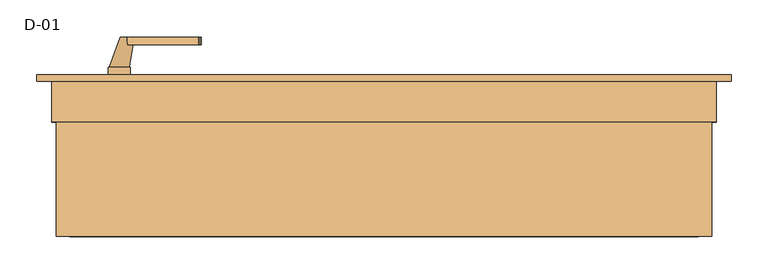
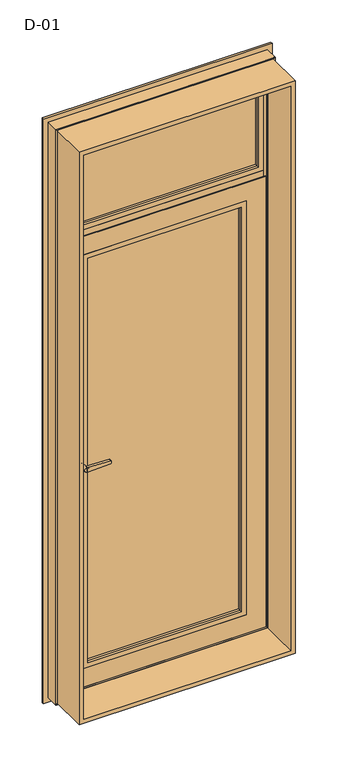
"""IFC4 building model written with IfcOpenShell, lengths in millimetres: door geometry, D-01."""

from ifc_helpers import new_model, si_unit, point, frame, frame_2d, origin, place, context, project, spatial, polyline, circle_curve, ellipse_curve, trimmed, segment, composite_curve, outline, extrude, faceted_brep, source, transform, mapped, element, save
from ifc_brep_helpers import plane_surface, cylinder_surface, revolved_surface, spline_surface, advanced_brep


def d_01_48096708(model_context):
    return source(origin(), model_context, "Body", "SolidModel", [
        extrude(outline(polyline([(329.0, 106.6071511), (329.0, 80.6071511), (-329.0, 80.6071511), (-329.0, 106.6071511), (329.0, 106.6071511)])), frame((0.0, 0.0, 120.9699136), z_axis=(0.0, 0.0, 1.0), x_axis=(1.0, 0.0, 0.0)), (0.0, 0.0, 1.0), 1783.0601727),
        extrude(outline(polyline([(403.0, 113.6071222), (403.0, 87.6071222), (-403.0, 87.6071222), (-403.0, 113.6071222), (403.0, 113.6071222)])), frame((0.0, 0.0, 2022.0), z_axis=(0.0, 0.0, 1.0), x_axis=(1.0, 0.0, 0.0)), (0.0, 0.0, 1.0), 431.0),
        extrude(outline(polyline([(2493.8, 443.8), (2493.8, -443.8), (6.2, -443.8), (6.2, 443.8), (2493.8, 443.8)]), holes=[polyline([(24.7, 425.3), (24.7, -425.3), (2475.3, -425.3), (2475.3, 425.3), (24.7, 425.3)])]), frame((0.0, -100.0, 0.0), z_axis=(0.0, 1.0, 0.0), x_axis=(0.0, 0.0, 1.0)), (0.0, 0.0, 1.0), 165.9999813),
        advanced_brep(
        [(316.0300864, 73.2770489, 1891.0295117), (313.8875898, 80.6071511, 1888.8870152), (313.8875898, 80.6071511, 136.1129848), (316.0300864, 73.2770489, 133.9704883), (336.0300864, 80.6071511, 113.9704883), (-336.0300864, 80.6071511, 113.9704883), (-336.0300864, 80.6071511, 1911.0295117), (336.0300864, 80.6071511, 1911.0295117), (-313.8875898, 80.6071511, 1888.8870152), (-313.8875898, 80.6071511, 136.1129848), (-316.0300864, 73.2770489, 133.9704883), (316.0300864, 61.9999587, 1891.0295117), (316.0300864, 61.9999587, 133.9704883), (-316.0300864, 61.9999587, 133.9704883), (336.0300864, 61.9999587, 1911.0295117), (-336.0300864, 61.9999587, 1911.0295117), (-336.0300864, 61.9999587, 113.9704883), (336.0300864, 61.9999587, 113.9704883), (-316.0300864, 61.9999587, 1891.0295117), (-316.0300864, 73.2770489, 1891.0295117)],
        [
            (0, 1, ellipse_curve(frame((296.4226746, 71.5242129, 1871.4221), z_axis=(-0.7071067811865475, 0.0, 0.7071067811865475), x_axis=(-0.7071067811865474, 0.0, -0.7071067811865476)), 27.839649, 19.6856046)),
            (1, 2),
            (2, 3, ellipse_curve(frame((296.4226746, 71.5242129, 153.5779), z_axis=(-0.7071067811865475, 0.0, -0.7071067811865475), x_axis=(0.7071067811865474, 0.0, -0.7071067811865476)), 27.839649, 19.6856046)),
            (3, 0),
            (4, 5),
            (5, 6),
            (6, 7),
            (7, 4),
            (1, 8),
            (8, 9),
            (9, 2),
            (9, 10, ellipse_curve(frame((-296.4226746, 71.5242129, 153.5779), z_axis=(-0.7071067811865475, 0.0, 0.7071067811865475), x_axis=(-0.7071067811865476, 0.0, -0.7071067811865474)), 27.839649, 19.6856046)),
            (10, 3),
            (11, 0),
            (3, 12),
            (12, 11),
            (10, 13),
            (13, 12),
            (14, 15),
            (15, 16),
            (16, 17),
            (17, 14),
            (13, 18),
            (18, 11),
            (7, 14),
            (17, 4),
            (16, 5),
            (8, 19, ellipse_curve(frame((-296.4226746, 71.5242129, 1871.4221), z_axis=(0.7071067811865475, 0.0, 0.7071067811865475), x_axis=(-0.7071067811865474, 0.0, 0.7071067811865476)), 27.839649, 19.6856046)),
            (19, 10),
            (19, 18),
            (15, 6),
            (0, 19),
        ],
        [
            revolved_surface(polyline([(316.10827919999997, 71.5242129, 133.8922954062466), (316.10827919999997, 71.5242129, 1891.1077045937534)]), (296.4226746, 71.5242129, 1911.0295117), (0.0, 0.0, -1.0)),
            plane_surface(frame((-336.0300864, 80.6071511, 1911.0295117), z_axis=(0.0, 1.0, 0.0), x_axis=(1.0, 0.0, 0.0))),
            revolved_surface(polyline([(-316.1082791937533, 71.5242129, 133.8922954), (316.1082791937533, 71.5242129, 133.8922954)]), (336.0300864, 71.5242129, 153.5779), (-1.0, 0.0, 0.0)),
            plane_surface(frame((316.0300864, 73.2770489, 1891.0295117), z_axis=(-1.0, 0.0, 0.0), x_axis=(0.0, 0.0, -1.0))),
            plane_surface(frame((316.0300864, 73.2770489, 133.9704883), z_axis=(0.0, 0.0, 1.0), x_axis=(-1.0, 0.0, 0.0))),
            plane_surface(frame((-316.0300864, 61.9999587, 1891.0295117), z_axis=(0.0, -1.0, 0.0), x_axis=(1.0, 0.0, 0.0))),
            plane_surface(frame((336.0300864, 61.9999587, 1911.0295117), z_axis=(1.0, 0.0, 0.0), x_axis=(0.0, 0.0, -1.0))),
            plane_surface(frame((336.0300864, 61.9999587, 113.9704883), z_axis=(0.0, 0.0, -1.0), x_axis=(-1.0, 0.0, 0.0))),
            revolved_surface(polyline([(-316.10827919999997, 71.5242129, 1891.1077045937534), (-316.10827919999997, 71.5242129, 133.89229540624672)]), (-296.4226746, 71.5242129, 113.9704883), (0.0, 0.0, 1.0)),
            plane_surface(frame((-316.0300864, 73.2770489, 133.9704883), z_axis=(1.0, 0.0, 0.0), x_axis=(0.0, 0.0, 1.0))),
            plane_surface(frame((-336.0300864, 61.9999587, 113.9704883), z_axis=(-1.0, 0.0, 0.0), x_axis=(0.0, 0.0, 1.0))),
            revolved_surface(polyline([(316.1082791937533, 71.5242129, 1891.1077046), (-316.1082791937533, 71.5242129, 1891.1077046)]), (-336.0300864, 71.5242129, 1871.4221), (1.0, 0.0, 0.0)),
            plane_surface(frame((-316.0300864, 73.2770489, 1891.0295117), z_axis=(0.0, 0.0, -1.0), x_axis=(1.0, 0.0, 0.0))),
            plane_surface(frame((-336.0300864, 61.9999587, 1911.0295117), z_axis=(0.0, 0.0, 1.0), x_axis=(1.0, 0.0, 0.0))),
        ],
        [
            (0, [[1, 2, 3, 4]]),
            (1, [[5, 6, 7, 8], [9, 10, 11, -2]]),
            (2, [[-3, -11, 12, 13]]),
            (3, [[14, -4, 15, 16]]),
            (4, [[-15, -13, 17, 18]]),
            (5, [[19, 20, 21, 22], [-18, 23, 24, -16]]),
            (6, [[25, -22, 26, -8]]),
            (7, [[-26, -21, 27, -5]]),
            (8, [[-12, -10, 28, 29]]),
            (9, [[-17, -29, 30, -23]]),
            (10, [[-27, -20, 31, -6]]),
            (11, [[-28, -9, -1, 32]]),
            (12, [[-30, -32, -14, -24]]),
            (13, [[-31, -19, -25, -7]]),
        ],
    ),
        extrude(outline(composite_curve([segment(polyline([(908.2, -353.529519), (920.8261365, -353.529519)]), True, "CONTINUOUS"), segment(trimmed(circle_curve(frame_2d((927.7, -358.529519)), 8.5), [point((920.8261365, -353.529519))], [point((920.8261365, -363.529519))], False, "CARTESIAN"), True, "CONTINUOUS"), segment(polyline([(920.8261365, -363.529519), (908.2, -363.529519)]), True, "CONTINUOUS"), segment(trimmed(circle_curve(frame_2d((908.2, -358.529519)), 5.0), [point((908.2, -363.529519))], [point((908.2, -353.529519))], False, "CARTESIAN"), True, "CONTINUOUS")], self_intersect=False)), frame((0.0, 118.9999667, 0.0), z_axis=(0.0, 1.0, 0.0), x_axis=(0.0, 0.0, 1.0)), (0.0, 0.0, 1.0), 11.0),
        extrude(outline(composite_curve([segment(trimmed(circle_curve(frame_2d((968.6155661, -358.529519)), 97.2636214), [point((872.5, -373.429519))], [point((872.5, -343.629519))], False, "CARTESIAN"), True, "CONTINUOUS"), segment(polyline([(872.5, -343.629519), (1091.0, -343.629519)]), True, "CONTINUOUS"), segment(trimmed(circle_curve(frame_2d((994.8844339, -358.529519)), 97.2636214), [point((1091.0, -343.629519))], [point((1091.0, -373.429519))], False, "CARTESIAN"), True, "CONTINUOUS"), segment(polyline([(1091.0, -373.429519), (872.5, -373.429519)]), True, "CONTINUOUS")], self_intersect=False), holes=[composite_curve([segment(polyline([(908.2, -363.529519), (920.8261365, -363.529519)]), True, "CONTINUOUS"), segment(trimmed(circle_curve(frame_2d((927.7, -358.529519)), 8.5), [point((920.8261365, -363.529519))], [point((920.8261365, -353.529519))], True, "CARTESIAN"), True, "CONTINUOUS"), segment(polyline([(920.8261365, -353.529519), (908.2, -353.529519)]), True, "CONTINUOUS"), segment(trimmed(circle_curve(frame_2d((908.2, -358.529519)), 5.0), [point((908.2, -353.529519))], [point((908.2, -363.529519))], True, "CARTESIAN"), True, "CONTINUOUS")], self_intersect=False)]), frame((0.0, 118.9999667, 0.0), z_axis=(0.0, 1.0, 0.0), x_axis=(0.0, 0.0, 1.0)), (0.0, 0.0, 1.0), 10.0),
        extrude(outline(composite_curve([segment(polyline([(1022.0, -347.529519), (1003.0, -347.529519), (1005.5308731, -250.8793747)]), True, "CONTINUOUS"), segment(trimmed(circle_curve(frame_2d((1007.5301877, -250.9317286)), 2.0), [point((1005.5308731, -250.8793747))], [point((1007.0125497, -248.9998769))], False, "CARTESIAN"), True, "CONTINUOUS"), segment(polyline([(1007.0125497, -248.9998769), (1012.5, -247.529519), (1017.9874503, -248.9998769)]), True, "CONTINUOUS"), segment(trimmed(circle_curve(frame_2d((1017.4698123, -250.9317286)), 2.0), [point((1017.9874503, -248.9998769))], [point((1019.4691269, -250.8793747))], False, "CARTESIAN"), True, "CONTINUOUS"), segment(polyline([(1019.4691269, -250.8793747), (1022.0, -347.529519)]), True, "CONTINUOUS")], self_intersect=False)), frame((0.0, 159.9999667, 0.0), z_axis=(0.0, 1.0, 0.0), x_axis=(0.0, 0.0, 1.0)), (0.0, 0.0, 1.0), 10.0),
        advanced_brep(
        [(-357.029519, 169.9999667, 1012.5), (-338.029519, 169.9999667, 1012.5), (-371.929519, 128.9999667, 1012.5), (-345.129519, 128.9999667, 1012.5)],
        [
            (0, 1, circle_curve(frame((-347.529519, 169.9999667, 1012.5), z_axis=(0.0, 1.0, 0.0), x_axis=(1.0, 0.0, 0.0)), 9.5)),
            (1, 0, circle_curve(frame((-347.529519, 169.9999667, 1012.5), z_axis=(0.0, 1.0, 0.0), x_axis=(1.0, 0.0, 0.0)), 9.5)),
            (2, 3, circle_curve(frame((-358.529519, 128.9999667, 1012.5), z_axis=(0.0, -1.0, 0.0), x_axis=(1.0, 0.0, 0.0)), 13.4)),
            (3, 2, circle_curve(frame((-358.529519, 128.9999667, 1012.5), z_axis=(0.0, -1.0, 0.0), x_axis=(1.0, 0.0, 0.0)), 13.4)),
            (2, 0),
            (1, 3),
        ],
        [
            plane_surface(frame((-347.529519, 169.9999667, 1012.5), z_axis=(0.0, 1.0, 0.0), x_axis=(0.0, 0.0, -1.0))),
            plane_surface(frame((-358.529519, 128.9999667, 1012.5), z_axis=(0.0, -1.0, 0.0), x_axis=(0.0, 0.0, -1.0))),
            spline_surface(1, 2, [[(-371.929519, 128.9999667, 1012.5), (-371.929519, 128.9999667, 999.0999999999999), (-358.529519, 128.9999667, 999.0999999999999), (-345.12951899999996, 128.9999667, 999.0999999999999), (-345.129519, 128.9999667, 1012.5)], [(-357.029519, 169.9999667, 1012.5), (-357.029519, 169.9999667, 1003.0), (-347.529519, 169.9999667, 1003.0), (-338.029519, 169.9999667, 1003.0), (-338.029519, 169.9999667, 1012.5)]], [2, 2], [3, 2, 3], [0.0, 1.0], [0.0, 1.0, 2.0], weights=[[1.0, 0.7071067811865476, 1.0, 0.707106781186546, 1.0], [1.0, 0.7071067811865476, 1.0, 0.707106781186546, 1.0]]),
            spline_surface(1, 2, [[(-345.129519, 128.9999667, 1012.5), (-345.129519, 128.9999667, 1025.9), (-358.529519, 128.9999667, 1025.9), (-371.92951899999997, 128.9999667, 1025.8999999999999), (-371.929519, 128.9999667, 1012.5)], [(-338.029519, 169.9999667, 1012.5), (-338.029519, 169.9999667, 1022.0), (-347.529519, 169.9999667, 1022.0), (-357.029519, 169.9999667, 1022.0), (-357.029519, 169.9999667, 1012.5)]], [2, 2], [3, 2, 3], [0.0, 1.0], [0.0, 1.0, 2.0], weights=[[1.0, 0.7071067811865476, 1.0, 0.707106781186549, 1.0], [1.0, 0.7071067811865476, 1.0, 0.707106781186549, 1.0]]),
        ],
        [
            (0, [[1, 2]]),
            (1, [[3, 4]]),
            (2, [[5, -2, 6, -3]]),
            (3, [[-6, -1, -5, -4]]),
        ],
    ),
        extrude(outline(composite_curve([segment(polyline([(908.2, -353.529519), (920.8261365, -353.529519)]), True, "CONTINUOUS"), segment(trimmed(circle_curve(frame_2d((927.7, -358.529519)), 8.5), [point((920.8261365, -353.529519))], [point((920.8261365, -363.529519))], False, "CARTESIAN"), True, "CONTINUOUS"), segment(polyline([(920.8261365, -363.529519), (908.2, -363.529519)]), True, "CONTINUOUS"), segment(trimmed(circle_curve(frame_2d((908.2, -358.529519)), 5.0), [point((908.2, -363.529519))], [point((908.2, -353.529519))], False, "CARTESIAN"), True, "CONTINUOUS")], self_intersect=False)), frame((0.0, 50.9999588, 0.0), z_axis=(0.0, 1.0, 0.0), x_axis=(0.0, 0.0, 1.0)), (0.0, 0.0, 1.0), 11.0),
        extrude(outline(composite_curve([segment(trimmed(circle_curve(frame_2d((968.6155661, -358.529519)), 97.2636214), [point((872.5, -373.429519))], [point((872.5, -343.629519))], False, "CARTESIAN"), True, "CONTINUOUS"), segment(polyline([(872.5, -343.629519), (1091.0, -343.629519)]), True, "CONTINUOUS"), segment(trimmed(circle_curve(frame_2d((994.8844339, -358.529519)), 97.2636214), [point((1091.0, -343.629519))], [point((1091.0, -373.429519))], False, "CARTESIAN"), True, "CONTINUOUS"), segment(polyline([(1091.0, -373.429519), (872.5, -373.429519)]), True, "CONTINUOUS")], self_intersect=False), holes=[composite_curve([segment(polyline([(908.2, -363.529519), (920.8261365, -363.529519)]), True, "CONTINUOUS"), segment(trimmed(circle_curve(frame_2d((927.7, -358.529519)), 8.5), [point((920.8261365, -363.529519))], [point((920.8261365, -353.529519))], True, "CARTESIAN"), True, "CONTINUOUS"), segment(polyline([(920.8261365, -353.529519), (908.2, -353.529519)]), True, "CONTINUOUS"), segment(trimmed(circle_curve(frame_2d((908.2, -358.529519)), 5.0), [point((908.2, -353.529519))], [point((908.2, -363.529519))], True, "CARTESIAN"), True, "CONTINUOUS")], self_intersect=False)]), frame((0.0, 51.9999588, 0.0), z_axis=(0.0, 1.0, 0.0), x_axis=(0.0, 0.0, 1.0)), (0.0, 0.0, 1.0), 10.0),
        extrude(outline(composite_curve([segment(polyline([(1022.0, -347.529519), (1003.0, -347.529519), (1005.5308731, -250.8793747)]), True, "CONTINUOUS"), segment(trimmed(circle_curve(frame_2d((1007.5301877, -250.9317286)), 2.0), [point((1005.5308731, -250.8793747))], [point((1007.0125497, -248.9998769))], False, "CARTESIAN"), True, "CONTINUOUS"), segment(polyline([(1007.0125497, -248.9998769), (1012.5, -247.529519), (1017.9874503, -248.9998769)]), True, "CONTINUOUS"), segment(trimmed(circle_curve(frame_2d((1017.4698123, -250.9317286)), 2.0), [point((1017.9874503, -248.9998769))], [point((1019.4691269, -250.8793747))], False, "CARTESIAN"), True, "CONTINUOUS"), segment(polyline([(1019.4691269, -250.8793747), (1022.0, -347.529519)]), True, "CONTINUOUS")], self_intersect=False)), frame((0.0, 10.9999588, 0.0), z_axis=(0.0, 1.0, 0.0), x_axis=(0.0, 0.0, 1.0)), (0.0, 0.0, 1.0), 10.0),
        advanced_brep(
        [(-357.029519, 10.9999588, 1012.5), (-338.029519, 10.9999588, 1012.5), (-371.929519, 51.9999588, 1012.5), (-345.129519, 51.9999588, 1012.5)],
        [
            (0, 1, circle_curve(frame((-347.529519, 10.9999588, 1012.5), z_axis=(0.0, -1.0, 0.0), x_axis=(1.0, 0.0, 0.0)), 9.5)),
            (1, 0, circle_curve(frame((-347.529519, 10.9999588, 1012.5), z_axis=(0.0, -1.0, 0.0), x_axis=(1.0, 0.0, 0.0)), 9.5)),
            (2, 3, circle_curve(frame((-358.529519, 51.9999588, 1012.5), z_axis=(0.0, 1.0, 0.0), x_axis=(1.0, 0.0, 0.0)), 13.4)),
            (3, 2, circle_curve(frame((-358.529519, 51.9999588, 1012.5), z_axis=(0.0, 1.0, 0.0), x_axis=(1.0, 0.0, 0.0)), 13.4)),
            (3, 1),
            (0, 2),
        ],
        [
            plane_surface(frame((-347.529519, 10.9999588, 1012.5), z_axis=(0.0, -1.0, 0.0), x_axis=(0.0, 0.0, -1.0))),
            plane_surface(frame((-358.529519, 51.9999588, 1012.5), z_axis=(0.0, 1.0, 0.0), x_axis=(0.0, 0.0, -1.0))),
            spline_surface(2, 1, [[(-371.929519, 51.9999588, 1012.5), (-357.029519, 10.9999588, 1012.5)], [(-371.929519, 51.9999588, 999.0999999999999), (-357.029519, 10.9999588, 1003.0)], [(-358.529519, 51.9999588, 999.0999999999999), (-347.529519, 10.9999588, 1003.0)], [(-345.12951899999996, 51.9999588, 999.0999999999999), (-338.029519, 10.9999588, 1003.0)], [(-345.129519, 51.9999588, 1012.5), (-338.029519, 10.9999588, 1012.5)]], [3, 2, 3], [2, 2], [0.0, 1.0, 2.0], [0.0, 1.0], weights=[[1.0, 1.0], [0.7071067811865476, 0.7071067811865476], [1.0, 1.0], [0.707106781186546, 0.707106781186546], [1.0, 1.0]]),
            spline_surface(2, 1, [[(-345.129519, 51.9999588, 1012.5), (-338.029519, 10.9999588, 1012.5)], [(-345.129519, 51.9999588, 1025.9), (-338.029519, 10.9999588, 1022.0)], [(-358.529519, 51.9999588, 1025.9), (-347.529519, 10.9999588, 1022.0)], [(-371.92951899999997, 51.9999588, 1025.8999999999999), (-357.029519, 10.9999588, 1022.0)], [(-371.929519, 51.9999588, 1012.5), (-357.029519, 10.9999588, 1012.5)]], [3, 2, 3], [2, 2], [0.0, 1.0, 2.0], [0.0, 1.0], weights=[[1.0, 1.0], [0.7071067811865476, 0.7071067811865476], [1.0, 1.0], [0.707106781186549, 0.707106781186549], [1.0, 1.0]]),
        ],
        [
            (0, [[1, 2]]),
            (1, [[3, 4]]),
            (2, [[-4, 5, -1, 6]]),
            (3, [[-3, -6, -2, -5]]),
        ],
    ),
        faceted_brep([(416.029509, 65.5999789, 1991.029509), (416.029509, 61.9999588, 1991.029509), (416.029509, 61.9999588, 33.970491), (416.029509, 65.5999789, 33.970491), (-416.029509, 61.9999588, 1991.029509), (-416.029509, 61.9999588, 33.970491), (336.0295117, 61.9999588, 1911.0295117), (336.0295117, 61.9999588, 113.9704883), (-336.0295117, 61.9999588, 113.9704883), (-336.0295117, 61.9999588, 1911.0295117), (-416.029509, 65.5999789, 33.970491), (-416.029509, 65.5999789, 1991.029509), (-398.529519, 65.5999789, 1973.529519), (-398.529519, 65.5999789, 51.470481), (398.529519, 65.5999789, 51.470481), (398.529519, 65.5999789, 1973.529519), (398.529519, 112.0011292, 1973.529519), (398.529519, 112.0011292, 51.470481), (-398.529519, 112.0011292, 51.470481), (-398.529519, 112.0011292, 1973.529519), (-383.0352158, 112.0011292, 1958.0352158), (-383.0352158, 112.0011292, 66.9647842), (383.0352158, 112.0011292, 66.9647842), (383.0352158, 112.0011292, 1958.0352158), (383.0352158, 118.9999667, 1958.0352158), (383.0352158, 118.9999667, 66.9647842), (-383.0352158, 118.9999667, 66.9647842), (-383.0352158, 118.9999667, 1958.0352158), (-316.0300864, 118.9999667, 1891.0300864), (-316.0300864, 118.9999667, 133.9699136), (316.0300864, 118.9999667, 133.9699136), (316.0300864, 118.9999667, 1891.0300864), (316.0300864, 108.4011305, 1891.0300864), (316.0300864, 108.4011305, 133.9699136), (-316.0300864, 108.4011305, 133.9699136), (-336.0295117, 108.4011305, 1911.0295117), (-336.0295117, 108.4011305, 113.9704883), (336.0295117, 108.4011305, 113.9704883), (336.0295117, 108.4011305, 1911.0295117), (-316.0300864, 108.4011305, 1891.0300864)], [[[0, 1, 2, 3]], [[4, 5, 2, 1], [6, 7, 8, 9]], [[3, 2, 5, 10]], [[0, 3, 10, 11], [12, 13, 14, 15]], [[16, 15, 14, 17]], [[17, 14, 13, 18]], [[16, 17, 18, 19], [20, 21, 22, 23]], [[24, 23, 22, 25]], [[25, 22, 21, 26]], [[24, 25, 26, 27], [28, 29, 30, 31]], [[32, 31, 30, 33]], [[33, 30, 29, 34]], [[35, 36, 37, 38], [32, 33, 34, 39]], [[6, 38, 37, 7]], [[7, 37, 36, 8]], [[10, 5, 4, 11]], [[18, 13, 12, 19]], [[26, 21, 20, 27]], [[34, 29, 28, 39]], [[8, 36, 35, 9]], [[11, 4, 1, 0]], [[19, 12, 15, 16]], [[27, 20, 23, 24]], [[39, 28, 31, 32]], [[9, 35, 38, 6]]]),
        advanced_brep(
        [(390.0, 80.27702, 2440.0), (387.8575034, 87.6071222, 2437.8575034), (387.8575034, 87.6071222, 2037.1424966), (390.0, 80.27702, 2035.0), (410.0, 87.6071222, 2015.0), (-410.0, 87.6071222, 2015.0), (-410.0, 87.6071222, 2460.0), (410.0, 87.6071222, 2460.0), (-387.8575034, 87.6071222, 2437.8575034), (-387.8575034, 87.6071222, 2037.1424966), (-390.0, 80.27702, 2035.0), (390.0, 68.9999298, 2440.0), (390.0, 68.9999298, 2035.0), (-390.0, 68.9999298, 2035.0), (410.0, 68.9999298, 2460.0), (-410.0, 68.9999298, 2460.0), (-410.0, 68.9999298, 2015.0), (410.0, 68.9999298, 2015.0), (-390.0, 68.9999298, 2440.0), (-390.0, 80.27702, 2440.0)],
        [
            (0, 1, ellipse_curve(frame((370.3925883, 78.5241839, 2420.3925883), z_axis=(-0.7071067811865475, 0.0, 0.7071067811865475), x_axis=(-0.7071067811865474, 0.0, -0.7071067811865476)), 27.839649, 19.6856046)),
            (1, 2),
            (2, 3, ellipse_curve(frame((370.3925883, 78.5241839, 2054.6074117), z_axis=(-0.7071067811865475, 0.0, -0.7071067811865475), x_axis=(0.7071067811865474, 0.0, -0.7071067811865476)), 27.839649, 19.6856046)),
            (3, 0),
            (4, 5),
            (5, 6),
            (6, 7),
            (7, 4),
            (1, 8),
            (8, 9),
            (9, 2),
            (9, 10, ellipse_curve(frame((-370.3925883, 78.5241839, 2054.6074117), z_axis=(-0.7071067811865475, 0.0, 0.7071067811865475), x_axis=(-0.7071067811865476, 0.0, -0.7071067811865474)), 27.839649, 19.6856046)),
            (10, 3),
            (11, 0),
            (3, 12),
            (12, 11),
            (10, 13),
            (13, 12),
            (14, 15),
            (15, 16),
            (16, 17),
            (17, 14),
            (13, 18),
            (18, 11),
            (7, 14),
            (17, 4),
            (16, 5),
            (8, 19, ellipse_curve(frame((-370.3925883, 78.5241839, 2420.3925883), z_axis=(0.7071067811865475, 0.0, 0.7071067811865475), x_axis=(-0.7071067811865474, 0.0, 0.7071067811865476)), 27.839649, 19.6856046)),
            (19, 10),
            (19, 18),
            (15, 6),
            (0, 19),
        ],
        [
            revolved_surface(polyline([(390.0781929, 78.5241839, 2034.9218071062464), (390.0781929, 78.5241839, 2440.0781928937536)]), (370.3925883, 78.5241839, 2460.0), (0.0, 0.0, -1.0)),
            plane_surface(frame((-410.0, 87.6071222, 2460.0), z_axis=(0.0, 1.0, 0.0), x_axis=(1.0, 0.0, 0.0))),
            revolved_surface(polyline([(-390.0781928937532, 78.5241839, 2034.9218070999998), (390.0781928937533, 78.5241839, 2034.9218070999998)]), (410.0, 78.5241839, 2054.6074117), (-1.0, 0.0, 0.0)),
            plane_surface(frame((390.0, 80.27702, 2440.0), z_axis=(-1.0, 0.0, 0.0), x_axis=(0.0, 0.0, -1.0))),
            plane_surface(frame((390.0, 80.27702, 2035.0), z_axis=(0.0, 0.0, 1.0), x_axis=(-1.0, 0.0, 0.0))),
            plane_surface(frame((-390.0, 68.9999298, 2440.0), z_axis=(0.0, -1.0, 0.0), x_axis=(1.0, 0.0, 0.0))),
            plane_surface(frame((410.0, 68.9999298, 2460.0), z_axis=(1.0, 0.0, 0.0), x_axis=(0.0, 0.0, -1.0))),
            plane_surface(frame((410.0, 68.9999298, 2015.0), z_axis=(0.0, 0.0, -1.0), x_axis=(-1.0, 0.0, 0.0))),
            revolved_surface(polyline([(-390.0781929, 78.5241839, 2440.0781928937536), (-390.0781929, 78.5241839, 2034.9218071062464)]), (-370.3925883, 78.5241839, 2015.0), (0.0, 0.0, 1.0)),
            plane_surface(frame((-390.0, 80.27702, 2035.0), z_axis=(1.0, 0.0, 0.0), x_axis=(0.0, 0.0, 1.0))),
            plane_surface(frame((-410.0, 68.9999298, 2015.0), z_axis=(-1.0, 0.0, 0.0), x_axis=(0.0, 0.0, 1.0))),
            revolved_surface(polyline([(390.0781928937532, 78.5241839, 2440.0781929), (-390.0781928937533, 78.5241839, 2440.0781929)]), (-410.0, 78.5241839, 2420.3925883), (1.0, 0.0, 0.0)),
            plane_surface(frame((-390.0, 80.27702, 2440.0), z_axis=(0.0, 0.0, -1.0), x_axis=(1.0, 0.0, 0.0))),
            plane_surface(frame((-410.0, 68.9999298, 2460.0), z_axis=(0.0, 0.0, 1.0), x_axis=(1.0, 0.0, 0.0))),
        ],
        [
            (0, [[1, 2, 3, 4]]),
            (1, [[5, 6, 7, 8], [9, 10, 11, -2]]),
            (2, [[-3, -11, 12, 13]]),
            (3, [[14, -4, 15, 16]]),
            (4, [[-15, -13, 17, 18]]),
            (5, [[19, 20, 21, 22], [-18, 23, 24, -16]]),
            (6, [[25, -22, 26, -8]]),
            (7, [[-26, -21, 27, -5]]),
            (8, [[-12, -10, 28, 29]]),
            (9, [[-17, -29, 30, -23]]),
            (10, [[-27, -20, 31, -6]]),
            (11, [[-28, -9, -1, 32]]),
            (12, [[-30, -32, -14, -24]]),
            (13, [[-31, -19, -25, -7]]),
        ],
    ),
        extrude(outline(polyline([(118.9999375, 1964.9999652), (115.3999375, 1964.9999652), (115.3999375, 1984.9999813), (68.9990172, 1984.9999813), (68.9990172, 2015.0000187), (115.3999375, 2015.0000187), (115.3999375, 2035.0000026), (118.9999375, 2035.0000026), (118.9999375, 1964.9999652)])), frame((-410.0, 0.0, 0.0), z_axis=(1.0, 0.0, 0.0), x_axis=(0.0, 1.0, 0.0)), (0.0, 0.0, 1.0), 820.0),
        advanced_brep(
        [(470.000038, 110.0, 2520.000038), (470.000038, 110.0, -20.000038), (470.000038, 118.9999375, -20.000038), (470.000038, 118.9999375, 2520.000038), (-470.000038, 118.9999375, 2520.000038), (-470.000038, 118.9999375, -20.000038), (390.0004584, 118.9999375, 2440.0004584), (-390.0004584, 118.9999375, 2440.0004584), (-390.0004584, 118.9999375, 59.9995416), (390.0004584, 118.9999375, 59.9995416), (-470.000038, 110.0, -20.000038), (-470.000038, 110.0, 2520.000038), (-450.0, 110.0, 2500.0), (450.0, 110.0, 2500.0), (450.0, 110.0, 0.0), (-450.0, 110.0, 0.0), (450.0, 54.8507969, 2500.0), (450.0, 54.8507969, 0.0), (-450.0, 54.8507969, 0.0), (445.0001465, 54.8506112, 2495.0001465), (445.0001465, 54.8506112, 4.9998535), (-445.0001465, 54.8506112, 4.9998535), (445.0001465, 56.5920405, 2495.0001465), (445.0001465, 56.5920405, 4.9998535), (-445.0001465, 56.5920405, 4.9998535), (443.8001794, 56.5908144, 2493.8001794), (443.8001794, 56.5908144, 6.1998206), (-443.8001794, 56.5908144, 6.1998206), (443.8001794, 65.9999813, 2493.8001794), (443.8001794, 65.9999813, 6.1998206), (-443.8001794, 65.9999813, 6.1998206), (-443.8001794, 65.9999813, 2493.8001794), (-424.2001794, 65.9999813, 2474.2001794), (424.2001794, 65.9999813, 2474.2001794), (424.2001794, 65.9999813, 25.7998206), (-424.2001794, 65.9999813, 25.7998206), (424.2001794, 61.9999728, 2474.2001794), (424.2001794, 61.9999728, 25.7998206), (-424.2001794, 61.9999728, 25.7998206), (-424.2001794, 61.9999728, 2474.2001794), (-422.6156704, 61.9999728, 2472.6156704), (422.6156704, 61.9999728, 2472.6156704), (422.6156704, 61.9999728, 27.3843296), (-422.6156704, 61.9999728, 27.3843296), (422.8755675, 68.9999299, 2472.8755675), (422.8755675, 68.9999299, 27.1244325), (-422.8755675, 68.9999299, 27.1244325), (-422.8755675, 68.9999299, 2472.8755675), (-410.0002274, 68.9999299, 2460.0002274), (410.0002274, 68.9999299, 2460.0002274), (410.0002274, 68.9999299, 39.9997726), (-410.0002274, 68.9999299, 39.9997726), (410.0002274, 115.4000063, 2460.0002274), (410.0002274, 115.4000063, 39.9997726), (-410.0002274, 115.4000063, 39.9997726), (-410.0002274, 115.4000063, 2460.0002274), (-390.0004584, 115.4000063, 2440.0004584), (390.0004584, 115.4000063, 2440.0004584), (390.0004584, 115.4000063, 59.9995416), (-390.0004584, 115.4000063, 59.9995416), (-450.0, 54.8507969, 2500.0), (-445.0001465, 54.8506112, 2495.0001465), (-445.0001465, 56.5920405, 2495.0001465), (-443.8001794, 56.5908144, 2493.8001794)],
        [
            (0, 1),
            (1, 2),
            (2, 3),
            (3, 0),
            (4, 3),
            (2, 5),
            (5, 4),
            (6, 7),
            (7, 8),
            (8, 9),
            (9, 6),
            (1, 10),
            (10, 5),
            (0, 11),
            (11, 10),
            (12, 13),
            (13, 14),
            (14, 15),
            (15, 12),
            (16, 17),
            (17, 14),
            (13, 16),
            (17, 18),
            (18, 15),
            (19, 20),
            (20, 17, ellipse_curve(frame((447.5001465, 52.8785929, 2.4998535), z_axis=(-0.7071067811865475, 0.0, -0.7071067811865475), x_axis=(0.7071067811865474, 0.0, -0.7071067811865476)), 4.5030781, 3.184157)),
            (16, 19, ellipse_curve(frame((447.5001465, 52.8785929, 2497.5001465), z_axis=(-0.7071067811865475, 0.0, 0.7071067811865475), x_axis=(-0.7071067811865474, 0.0, -0.7071067811865476)), 4.5030781, 3.184157)),
            (20, 21),
            (21, 18, ellipse_curve(frame((-447.5001465, 52.8785929, 2.4998535), z_axis=(-0.7071067811865475, 0.0, 0.7071067811865475), x_axis=(-0.7071067811865476, 0.0, -0.7071067811865474)), 4.5030781, 3.184157)),
            (22, 23),
            (23, 20),
            (19, 22),
            (23, 24),
            (24, 21),
            (25, 26),
            (26, 23, ellipse_curve(frame((444.4001534, 56.6007652, 5.5998466), z_axis=(0.7071067811865475, 0.0, 0.7071067811865475), x_axis=(-0.7071067811865474, 0.0, 0.7071067811865476)), 0.8486081, 0.6000566)),
            (22, 25, ellipse_curve(frame((444.4001534, 56.6007652, 2494.4001534), z_axis=(0.7071067811865475, 0.0, -0.7071067811865475), x_axis=(0.7071067811865474, 0.0, 0.7071067811865476)), 0.8486081, 0.6000566)),
            (26, 27),
            (27, 24, ellipse_curve(frame((-444.4001534, 56.6007652, 5.5998466), z_axis=(0.7071067811865475, 0.0, -0.7071067811865475), x_axis=(0.7071067811865476, 0.0, 0.7071067811865474)), 0.8486081, 0.6000566)),
            (28, 29),
            (29, 26),
            (25, 28),
            (29, 30),
            (30, 27),
            (28, 31),
            (31, 30),
            (32, 33),
            (33, 34),
            (34, 35),
            (35, 32),
            (36, 37),
            (37, 34),
            (33, 36),
            (37, 38),
            (38, 35),
            (36, 39),
            (39, 38),
            (40, 41),
            (41, 42),
            (42, 43),
            (43, 40),
            (44, 45),
            (45, 42),
            (41, 44),
            (45, 46),
            (46, 43),
            (44, 47),
            (47, 46),
            (48, 49),
            (49, 50),
            (50, 51),
            (51, 48),
            (52, 53),
            (53, 50),
            (49, 52),
            (53, 54),
            (54, 51),
            (52, 55),
            (55, 54),
            (56, 57),
            (57, 58),
            (58, 59),
            (59, 56),
            (9, 58),
            (57, 6),
            (8, 59),
            (11, 4),
            (18, 60),
            (60, 12),
            (21, 61),
            (61, 60, ellipse_curve(frame((-447.5001465, 52.8785929, 2497.5001465), z_axis=(0.7071067811865475, 0.0, 0.7071067811865475), x_axis=(-0.7071067811865474, 0.0, 0.7071067811865476)), 4.5030781, 3.184157)),
            (24, 62),
            (62, 61),
            (27, 63),
            (63, 62, ellipse_curve(frame((-444.4001534, 56.6007652, 2494.4001534), z_axis=(-0.7071067811865475, 0.0, -0.7071067811865475), x_axis=(0.7071067811865474, 0.0, -0.7071067811865476)), 0.8486081, 0.6000566)),
            (31, 63),
            (39, 32),
            (47, 40),
            (55, 48),
            (7, 56),
            (60, 16),
            (61, 19),
            (62, 22),
            (63, 25),
        ],
        [
            plane_surface(frame((470.000038, 118.9999375, 2520.000038), z_axis=(1.0, 0.0, 0.0), x_axis=(0.0, 0.0, -1.0))),
            plane_surface(frame((-390.0004584, 118.9999375, 59.9995416), z_axis=(0.0, 1.0, 0.0), x_axis=(0.0, 0.0, 1.0))),
            plane_surface(frame((470.000038, 118.9999375, -20.000038), z_axis=(0.0, 0.0, -1.0), x_axis=(-1.0, 0.0, 0.0))),
            plane_surface(frame((-470.000038, 110.0, -20.000038), z_axis=(0.0, -1.0, 0.0), x_axis=(0.0, 0.0, 1.0))),
            plane_surface(frame((450.0, 110.0, 2500.0), z_axis=(1.0, 0.0, 0.0), x_axis=(0.0, 0.0, -1.0))),
            plane_surface(frame((450.0, 110.0, 0.0), z_axis=(0.0, 0.0, -1.0), x_axis=(-1.0, 0.0, 0.0))),
            revolved_surface(polyline([(450.68430350000006, 52.8785929, -0.6843035607225829), (450.68430350000006, 52.8785929, 2500.6843035607226)]), (447.5001465, 52.8785929, 2500.0), (0.0, 0.0, -1.0)),
            revolved_surface(polyline([(-450.6843035607227, 52.8785929, -0.6843035), (450.68430356072264, 52.8785929, -0.6843035)]), (450.0, 52.8785929, 2.4998535), (-1.0, 0.0, 0.0)),
            plane_surface(frame((445.0001465, 54.8506112, 2495.0001465), z_axis=(-1.0, 0.0, 0.0), x_axis=(0.0, 0.0, -1.0))),
            plane_surface(frame((445.0001465, 54.8506112, 4.9998535), z_axis=(0.0, 0.0, 1.0), x_axis=(-1.0, 0.0, 0.0))),
            cylinder_surface(frame((444.4001534, 56.6007652, 2500.0), z_axis=(0.0, 0.0, 1.0), x_axis=(1.0, 0.0, 0.0)), 0.6000566),
            cylinder_surface(frame((450.0, 56.6007652, 5.5998466), z_axis=(1.0, 0.0, 0.0), x_axis=(0.0, 0.0, -1.0)), 0.6000566),
            plane_surface(frame((443.8001794, 56.5908144, 2493.8001794), z_axis=(-1.0, 0.0, 0.0), x_axis=(0.0, 0.0, -1.0))),
            plane_surface(frame((443.8001794, 56.5908144, 6.1998206), z_axis=(0.0, 0.0, 1.0), x_axis=(-1.0, 0.0, 0.0))),
            plane_surface(frame((-443.8001794, 65.9999813, 6.1998206), z_axis=(0.0, -1.0, 0.0), x_axis=(0.0, 0.0, 1.0))),
            plane_surface(frame((424.2001794, 65.9999813, 2474.2001794), z_axis=(1.0, 0.0, 0.0), x_axis=(0.0, 0.0, -1.0))),
            plane_surface(frame((424.2001794, 65.9999813, 25.7998206), z_axis=(0.0, 0.0, -1.0), x_axis=(-1.0, 0.0, 0.0))),
            plane_surface(frame((-424.2001794, 61.9999728, 25.7998206), z_axis=(0.0, -1.0, 0.0), x_axis=(0.0, 0.0, 1.0))),
            plane_surface(frame((422.6156704, 61.9999728, 2472.6156704), z_axis=(-0.9993114533203381, 0.03710282014609819, 0.0), x_axis=(0.0, 0.0, -1.0))),
            plane_surface(frame((422.6156704, 61.9999728, 27.3843296), z_axis=(0.0, 0.03710282014609207, 0.9993114533203383), x_axis=(-1.0, 0.0, 0.0))),
            plane_surface(frame((-422.8755675, 68.9999299, 27.1244325), z_axis=(0.0, -1.0, 0.0), x_axis=(0.0, 0.0, 1.0))),
            plane_surface(frame((410.0002274, 68.9999299, 2460.0002274), z_axis=(-1.0, 0.0, 0.0), x_axis=(0.0, 0.0, -1.0))),
            plane_surface(frame((410.0002274, 68.9999299, 39.9997726), z_axis=(0.0, 0.0, 1.0), x_axis=(-1.0, 0.0, 0.0))),
            plane_surface(frame((-410.0002274, 115.4000063, 39.9997726), z_axis=(0.0, -1.0, 0.0), x_axis=(0.0, 0.0, 1.0))),
            plane_surface(frame((390.0004584, 115.4000063, 2440.0004584), z_axis=(-1.0, 0.0, 0.0), x_axis=(0.0, 0.0, -1.0))),
            plane_surface(frame((390.0004584, 115.4000063, 59.9995416), z_axis=(0.0, 0.0, 1.0), x_axis=(-1.0, 0.0, 0.0))),
            plane_surface(frame((-470.000038, 118.9999375, -20.000038), z_axis=(-1.0, 0.0, 0.0), x_axis=(0.0, 0.0, 1.0))),
            plane_surface(frame((-450.0, 110.0, 0.0), z_axis=(-1.0, 0.0, 0.0), x_axis=(0.0, 0.0, 1.0))),
            revolved_surface(polyline([(-450.68430350000006, 52.8785929, 2500.6843035607226), (-450.68430350000006, 52.8785929, -0.6843035607226331)]), (-447.5001465, 52.8785929, 0.0), (0.0, 0.0, 1.0)),
            plane_surface(frame((-445.0001465, 54.8506112, 4.9998535), z_axis=(1.0, 0.0, 0.0), x_axis=(0.0, 0.0, 1.0))),
            cylinder_surface(frame((-444.4001534, 56.6007652, 0.0), z_axis=(0.0, 0.0, -1.0), x_axis=(-1.0, 0.0, 0.0)), 0.6000566),
            plane_surface(frame((-443.8001794, 56.5908144, 6.1998206), z_axis=(1.0, 0.0, 0.0), x_axis=(0.0, 0.0, 1.0))),
            plane_surface(frame((-424.2001794, 65.9999813, 25.7998206), z_axis=(-1.0, 0.0, 0.0), x_axis=(0.0, 0.0, 1.0))),
            plane_surface(frame((-422.6156704, 61.9999728, 27.3843296), z_axis=(0.9993114533203387, 0.03710282014608596, 0.0), x_axis=(0.0, 0.0, 1.0))),
            plane_surface(frame((-410.0002274, 68.9999299, 39.9997726), z_axis=(1.0, 0.0, 0.0), x_axis=(0.0, 0.0, 1.0))),
            plane_surface(frame((-390.0004584, 115.4000063, 59.9995416), z_axis=(1.0, 0.0, 0.0), x_axis=(0.0, 0.0, 1.0))),
            plane_surface(frame((-470.000038, 118.9999375, 2520.000038), z_axis=(0.0, 0.0, 1.0), x_axis=(1.0, 0.0, 0.0))),
            plane_surface(frame((-450.0, 110.0, 2500.0), z_axis=(0.0, 0.0, 1.0), x_axis=(1.0, 0.0, 0.0))),
            revolved_surface(polyline([(450.6843035607227, 52.8785929, 2500.6843035), (-450.68430356072264, 52.8785929, 2500.6843035)]), (-450.0, 52.8785929, 2497.5001465), (1.0, 0.0, 0.0)),
            plane_surface(frame((-445.0001465, 54.8506112, 2495.0001465), z_axis=(0.0, 0.0, -1.0), x_axis=(1.0, 0.0, 0.0))),
            cylinder_surface(frame((-450.0, 56.6007652, 2494.4001534), z_axis=(-1.0, 0.0, 0.0), x_axis=(0.0, 0.0, 1.0)), 0.6000566),
            plane_surface(frame((-443.8001794, 56.5908144, 2493.8001794), z_axis=(0.0, 0.0, -1.0), x_axis=(1.0, 0.0, 0.0))),
            plane_surface(frame((-424.2001794, 65.9999813, 2474.2001794), z_axis=(0.0, 0.0, 1.0), x_axis=(1.0, 0.0, 0.0))),
            plane_surface(frame((-422.6156704, 61.9999728, 2472.6156704), z_axis=(0.0, 0.03710282014609207, -0.9993114533203383), x_axis=(1.0, 0.0, 0.0))),
            plane_surface(frame((-410.0002274, 68.9999299, 2460.0002274), z_axis=(0.0, 0.0, -1.0), x_axis=(1.0, 0.0, 0.0))),
            plane_surface(frame((-390.0004584, 115.4000063, 2440.0004584), z_axis=(0.0, 0.0, -1.0), x_axis=(1.0, 0.0, 0.0))),
        ],
        [
            (0, [[1, 2, 3, 4]]),
            (1, [[5, -3, 6, 7], [8, 9, 10, 11]]),
            (2, [[12, 13, -6, -2]]),
            (3, [[14, 15, -12, -1], [16, 17, 18, 19]]),
            (4, [[20, 21, -17, 22]]),
            (5, [[23, 24, -18, -21]]),
            (6, [[25, 26, -20, 27]]),
            (7, [[28, 29, -23, -26]]),
            (8, [[30, 31, -25, 32]]),
            (9, [[33, 34, -28, -31]]),
            (10, [[35, 36, -30, 37]]),
            (11, [[38, 39, -33, -36]]),
            (12, [[40, 41, -35, 42]]),
            (13, [[43, 44, -38, -41]]),
            (14, [[45, 46, -43, -40], [47, 48, 49, 50]]),
            (15, [[51, 52, -48, 53]]),
            (16, [[54, 55, -49, -52]]),
            (17, [[56, 57, -54, -51], [58, 59, 60, 61]]),
            (18, [[62, 63, -59, 64]]),
            (19, [[65, 66, -60, -63]]),
            (20, [[67, 68, -65, -62], [69, 70, 71, 72]]),
            (21, [[73, 74, -70, 75]]),
            (22, [[76, 77, -71, -74]]),
            (23, [[78, 79, -76, -73], [80, 81, 82, 83]]),
            (24, [[-11, 84, -81, 85]]),
            (25, [[-10, 86, -82, -84]]),
            (26, [[-15, 87, -7, -13]]),
            (27, [[88, 89, -19, -24]]),
            (28, [[90, 91, -88, -29]]),
            (29, [[92, 93, -90, -34]]),
            (30, [[94, 95, -92, -39]]),
            (31, [[-46, 96, -94, -44]]),
            (32, [[-57, 97, -50, -55]]),
            (33, [[-68, 98, -61, -66]]),
            (34, [[-79, 99, -72, -77]]),
            (35, [[-9, 100, -83, -86]]),
            (36, [[-14, -4, -5, -87]]),
            (37, [[101, -22, -16, -89]]),
            (38, [[102, -27, -101, -91]]),
            (39, [[103, -32, -102, -93]]),
            (40, [[104, -37, -103, -95]]),
            (41, [[-45, -42, -104, -96]]),
            (42, [[-56, -53, -47, -97]]),
            (43, [[-67, -64, -58, -98]]),
            (44, [[-78, -75, -69, -99]]),
            (45, [[-8, -85, -80, -100]]),
        ],
    ),
    ])


if __name__ == "__main__":
    model = new_model("IFC4")
    model_context = context("Model", 3, world=origin())
    ifc_project = project(units=[si_unit("LENGTHUNIT", "METRE", prefix="MILLI")], contexts=[model_context])
    site = spatial("IfcSite", under=ifc_project)
    building = spatial("IfcBuilding", under=site)
    placement = place(None, origin())
    d_01_shape = d_01_48096708(model_context)
    element("IfcDoor", 1, ObjectType="D-01", at=placement, inside=building, context=model_context, shape_type="MappedRepresentation", body=[
        mapped(d_01_shape, transform((0.0, 0.0, 0.0), x_axis=(1.0, 0.0, 0.0), y_axis=(0.0, 1.0, 0.0), z_axis=(0.0, 0.0, 1.0))),
    ])
    save(model, "model.ifc")
